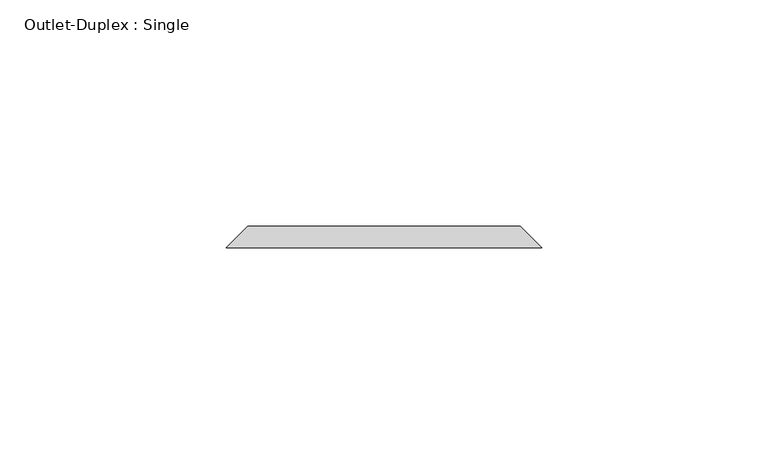
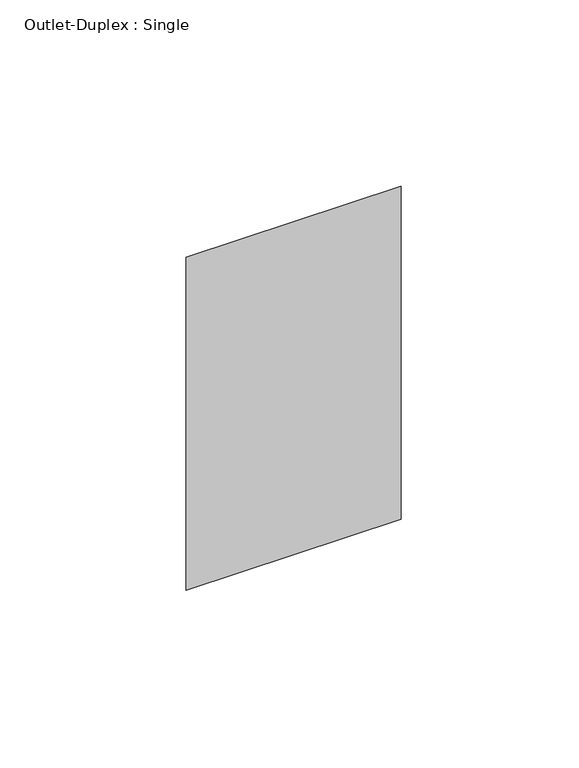
"""IFC4 building model written with IfcOpenShell, lengths in millimetres: proxy geometry, Outlet-Duplex : Single."""

from ifc_helpers import new_model, si_unit, origin, place, context, project, spatial, faceted_brep, source, transform, mapped, element, save


def outlet_duplex_single_56d4f497(model_context):
    return source(origin(), model_context, "Body", "Brep", [
        faceted_brep([(-30.1625, 154.7625, 357.1875), (30.1625, 154.7625, 357.1875), (30.1625, 154.7625, 252.4125), (-30.1625, 154.7625, 252.4125), (-34.925, 150.0, 361.95), (-34.925, 150.0, 247.65), (34.925, 150.0, 247.65), (34.925, 150.0, 361.95)], [[[0, 1, 2, 3]], [[4, 5, 6, 7]], [[4, 7, 1, 0]], [[7, 6, 2, 1]], [[6, 5, 3, 2]], [[5, 4, 0, 3]]]),
    ])


if __name__ == "__main__":
    model = new_model("IFC4")
    model_context = context("Model", 3, world=origin())
    ifc_project = project(units=[si_unit("LENGTHUNIT", "METRE", prefix="MILLI")], contexts=[model_context])
    site = spatial("IfcSite", under=ifc_project)
    building = spatial("IfcBuilding", under=site)
    placement = place(None, origin())
    outlet_duplex_single_shape = outlet_duplex_single_56d4f497(model_context)
    element("IfcBuildingElementProxy", 1, Name="Outlet-Duplex : Single", ObjectType="Outlet-Duplex : Single", at=placement, inside=building, context=model_context, shape_type="MappedRepresentation", body=[
        mapped(outlet_duplex_single_shape, transform((0.0, 0.0, 0.0), x_axis=(1.0, 0.0, 0.0), y_axis=(0.0, 1.0, 0.0), z_axis=(0.0, 0.0, 1.0))),
    ])
    save(model, "model.ifc")
